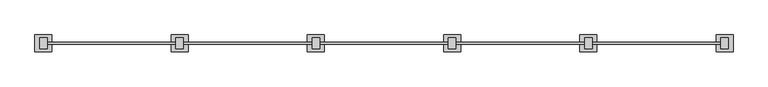
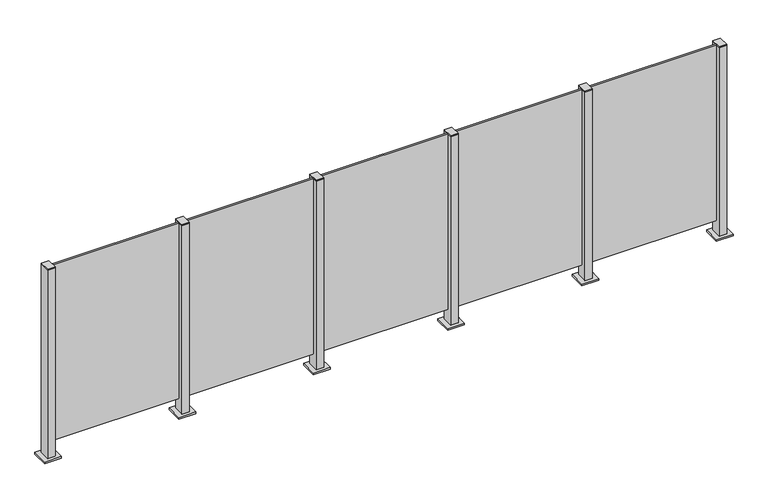
"""IFC4 building model written with IfcOpenShell, lengths in millimetres: railing geometry."""

from ifc_helpers import new_model, si_unit, frame, origin, origin_with_axes, place, context, project, spatial, polyline, outline, extrude, source, transform, mapped, element, save


def railing_67b9f373(model_context):
    return source(origin(), model_context, "Body", "SweptSolid", [
        extrude(outline(polyline([(63210.0, 7695.9598727), (63990.0, 7695.9598727), (63990.0, 7685.9598727), (63210.0, 7685.9598727), (63210.0, 7695.9598727)])), frame((0.0, 0.0, 95.0), z_axis=(0.0, 0.0, 1.0), x_axis=(1.0, 0.0, 0.0)), (0.0, 0.0, 1.0), 1105.0),
        extrude(outline(polyline([(63222.5, 7657.6846828), (63177.5, 7657.6846828), (63177.5, 7722.6846828), (63222.5, 7722.6846828), (63222.5, 7657.6846828)])), frame((0.0, 0.0, 1200.0), z_axis=(0.0, 0.0, 1.0), x_axis=(1.0, 0.0, 0.0)), (0.0, 0.0, 1.0), 5.0),
        extrude(outline(polyline([(63250.0, 7640.1846828), (63150.0, 7640.1846828), (63150.0, 7740.1846828), (63250.0, 7740.1846828), (63250.0, 7640.1846828)])), origin_with_axes(), (0.0, 0.0, 1.0), 12.0),
        extrude(outline(polyline([(63222.5, 7657.6846828), (63177.5, 7657.6846828), (63177.5, 7722.6846828), (63222.5, 7722.6846828), (63222.5, 7657.6846828)])), frame((0.0, 0.0, 12.0), z_axis=(0.0, 0.0, 1.0), x_axis=(1.0, 0.0, 0.0)), (0.0, 0.0, 1.0), 1188.0),
        extrude(outline(polyline([(62410.0, 7695.9598727), (63190.0, 7695.9598727), (63190.0, 7685.9598727), (62410.0, 7685.9598727), (62410.0, 7695.9598727)])), frame((0.0, 0.0, 95.0), z_axis=(0.0, 0.0, 1.0), x_axis=(1.0, 0.0, 0.0)), (0.0, 0.0, 1.0), 1105.0),
        extrude(outline(polyline([(62422.5, 7657.6846828), (62377.5, 7657.6846828), (62377.5, 7722.6846828), (62422.5, 7722.6846828), (62422.5, 7657.6846828)])), frame((0.0, 0.0, 1200.0), z_axis=(0.0, 0.0, 1.0), x_axis=(1.0, 0.0, 0.0)), (0.0, 0.0, 1.0), 5.0),
        extrude(outline(polyline([(62450.0, 7640.1846828), (62350.0, 7640.1846828), (62350.0, 7740.1846828), (62450.0, 7740.1846828), (62450.0, 7640.1846828)])), origin_with_axes(), (0.0, 0.0, 1.0), 12.0),
        extrude(outline(polyline([(62422.5, 7657.6846828), (62377.5, 7657.6846828), (62377.5, 7722.6846828), (62422.5, 7722.6846828), (62422.5, 7657.6846828)])), frame((0.0, 0.0, 12.0), z_axis=(0.0, 0.0, 1.0), x_axis=(1.0, 0.0, 0.0)), (0.0, 0.0, 1.0), 1188.0),
        extrude(outline(polyline([(61610.0, 7695.9598727), (62390.0, 7695.9598727), (62390.0, 7685.9598727), (61610.0, 7685.9598727), (61610.0, 7695.9598727)])), frame((0.0, 0.0, 95.0), z_axis=(0.0, 0.0, 1.0), x_axis=(1.0, 0.0, 0.0)), (0.0, 0.0, 1.0), 1105.0),
        extrude(outline(polyline([(61622.5, 7657.6846828), (61577.5, 7657.6846828), (61577.5, 7722.6846828), (61622.5, 7722.6846828), (61622.5, 7657.6846828)])), frame((0.0, 0.0, 1200.0), z_axis=(0.0, 0.0, 1.0), x_axis=(1.0, 0.0, 0.0)), (0.0, 0.0, 1.0), 5.0),
        extrude(outline(polyline([(61650.0, 7640.1846828), (61550.0, 7640.1846828), (61550.0, 7740.1846828), (61650.0, 7740.1846828), (61650.0, 7640.1846828)])), origin_with_axes(), (0.0, 0.0, 1.0), 12.0),
        extrude(outline(polyline([(61622.5, 7657.6846828), (61577.5, 7657.6846828), (61577.5, 7722.6846828), (61622.5, 7722.6846828), (61622.5, 7657.6846828)])), frame((0.0, 0.0, 12.0), z_axis=(0.0, 0.0, 1.0), x_axis=(1.0, 0.0, 0.0)), (0.0, 0.0, 1.0), 1188.0),
        extrude(outline(polyline([(60810.0, 7695.9598727), (61590.0, 7695.9598727), (61590.0, 7685.9598727), (60810.0, 7685.9598727), (60810.0, 7695.9598727)])), frame((0.0, 0.0, 95.0), z_axis=(0.0, 0.0, 1.0), x_axis=(1.0, 0.0, 0.0)), (0.0, 0.0, 1.0), 1105.0),
        extrude(outline(polyline([(60822.5, 7657.6846828), (60777.5, 7657.6846828), (60777.5, 7722.6846828), (60822.5, 7722.6846828), (60822.5, 7657.6846828)])), frame((0.0, 0.0, 1200.0), z_axis=(0.0, 0.0, 1.0), x_axis=(1.0, 0.0, 0.0)), (0.0, 0.0, 1.0), 5.0),
        extrude(outline(polyline([(60850.0, 7640.1846828), (60750.0, 7640.1846828), (60750.0, 7740.1846828), (60850.0, 7740.1846828), (60850.0, 7640.1846828)])), origin_with_axes(), (0.0, 0.0, 1.0), 12.0),
        extrude(outline(polyline([(60822.5, 7657.6846828), (60777.5, 7657.6846828), (60777.5, 7722.6846828), (60822.5, 7722.6846828), (60822.5, 7657.6846828)])), frame((0.0, 0.0, 12.0), z_axis=(0.0, 0.0, 1.0), x_axis=(1.0, 0.0, 0.0)), (0.0, 0.0, 1.0), 1188.0),
        extrude(outline(polyline([(60010.0, 7695.9598727), (60790.0, 7695.9598727), (60790.0, 7685.9598727), (60010.0, 7685.9598727), (60010.0, 7695.9598727)])), frame((0.0, 0.0, 95.0), z_axis=(0.0, 0.0, 1.0), x_axis=(1.0, 0.0, 0.0)), (0.0, 0.0, 1.0), 1105.0),
        extrude(outline(polyline([(64022.5, 7657.6846828), (63977.5, 7657.6846828), (63977.5, 7722.6846828), (64022.5, 7722.6846828), (64022.5, 7657.6846828)])), frame((0.0, 0.0, 1200.0), z_axis=(0.0, 0.0, 1.0), x_axis=(1.0, 0.0, 0.0)), (0.0, 0.0, 1.0), 5.0),
        extrude(outline(polyline([(64050.0, 7640.1846828), (63950.0, 7640.1846828), (63950.0, 7740.1846828), (64050.0, 7740.1846828), (64050.0, 7640.1846828)])), origin_with_axes(), (0.0, 0.0, 1.0), 12.0),
        extrude(outline(polyline([(64022.5, 7657.6846828), (63977.5, 7657.6846828), (63977.5, 7722.6846828), (64022.5, 7722.6846828), (64022.5, 7657.6846828)])), frame((0.0, 0.0, 12.0), z_axis=(0.0, 0.0, 1.0), x_axis=(1.0, 0.0, 0.0)), (0.0, 0.0, 1.0), 1188.0),
        extrude(outline(polyline([(60022.5, 7657.6846828), (59977.5, 7657.6846828), (59977.5, 7722.6846828), (60022.5, 7722.6846828), (60022.5, 7657.6846828)])), frame((0.0, 0.0, 1200.0), z_axis=(0.0, 0.0, 1.0), x_axis=(1.0, 0.0, 0.0)), (0.0, 0.0, 1.0), 5.0),
        extrude(outline(polyline([(60050.0, 7640.1846828), (59950.0, 7640.1846828), (59950.0, 7740.1846828), (60050.0, 7740.1846828), (60050.0, 7640.1846828)])), origin_with_axes(), (0.0, 0.0, 1.0), 12.0),
        extrude(outline(polyline([(60022.5, 7657.6846828), (59977.5, 7657.6846828), (59977.5, 7722.6846828), (60022.5, 7722.6846828), (60022.5, 7657.6846828)])), frame((0.0, 0.0, 12.0), z_axis=(0.0, 0.0, 1.0), x_axis=(1.0, 0.0, 0.0)), (0.0, 0.0, 1.0), 1188.0),
    ])


if __name__ == "__main__":
    model = new_model("IFC4")
    model_context = context("Model", 3, world=origin())
    ifc_project = project(units=[si_unit("LENGTHUNIT", "METRE", prefix="MILLI")], contexts=[model_context])
    site = spatial("IfcSite", under=ifc_project)
    building = spatial("IfcBuilding", under=site)
    placement = place(None, origin())
    railing_shape = railing_67b9f373(model_context)
    element("IfcRailing", 1, at=placement, inside=building, context=model_context, shape_type="MappedRepresentation", body=[
        mapped(railing_shape, transform((0.0, 0.0, 0.0), x_axis=(1.0, 0.0, 0.0), y_axis=(0.0, 1.0, 0.0), z_axis=(0.0, 0.0, 1.0))),
    ])
    save(model, "model.ifc")
